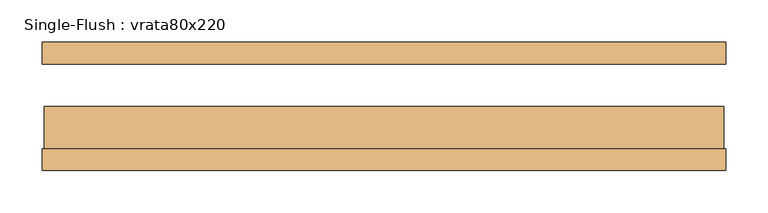
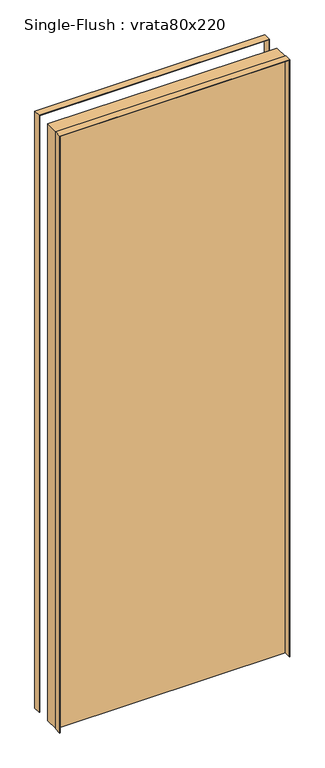
"""IFC4 building model written with IfcOpenShell, lengths in millimetres: door geometry, Single-Flush : vrata80x220."""

from ifc_helpers import new_model, si_unit, frame, origin, origin_with_axes, place, context, project, spatial, polyline, outline, extrude, source, transform, mapped, element, save


def single_flush_vrata80x220_3128ffc9(model_context):
    return source(origin(), model_context, "Body", "SweptSolid", [
        extrude(outline(polyline([(2202.0, -402.0), (0.0, -402.0), (0.0, -400.0), (2200.0, -400.0), (2200.0, 400.0), (0.0, 400.0), (0.0, 402.0), (2202.0, 402.0), (2202.0, -402.0)])), frame((0.0, -75.4, 0.0), z_axis=(0.0, 1.0, 0.0), x_axis=(0.0, 0.0, 1.0)), (0.0, 0.0, 1.0), 25.4),
        extrude(outline(polyline([(2202.0, 402.0), (2202.0, -402.0), (0.0, -402.0), (0.0, -400.0), (2200.0, -400.0), (2200.0, 400.0), (0.0, 400.0), (0.0, 402.0), (2202.0, 402.0)])), frame((0.0, 50.0, 0.0), z_axis=(0.0, 1.0, 0.0), x_axis=(0.0, 0.0, 1.0)), (0.0, 0.0, 1.0), 25.4),
        extrude(outline(polyline([(400.0, 0.0), (400.0, -50.0), (-400.0, -50.0), (-400.0, 0.0), (400.0, 0.0)])), origin_with_axes(), (0.0, 0.0, 1.0), 2200.0),
    ])


if __name__ == "__main__":
    model = new_model("IFC4")
    model_context = context("Model", 3, world=origin())
    ifc_project = project(units=[si_unit("LENGTHUNIT", "METRE", prefix="MILLI")], contexts=[model_context])
    site = spatial("IfcSite", under=ifc_project)
    building = spatial("IfcBuilding", under=site)
    placement = place(None, origin())
    single_flush_vrata80x220_shape = single_flush_vrata80x220_3128ffc9(model_context)
    element("IfcDoor", 1, ObjectType="Single-Flush : vrata80x220", at=placement, inside=building, context=model_context, shape_type="MappedRepresentation", body=[
        mapped(single_flush_vrata80x220_shape, transform((0.0, 0.0, 0.0), x_axis=(1.0, 0.0, 0.0), y_axis=(0.0, 1.0, 0.0), z_axis=(0.0, 0.0, 1.0))),
    ])
    save(model, "model.ifc")
